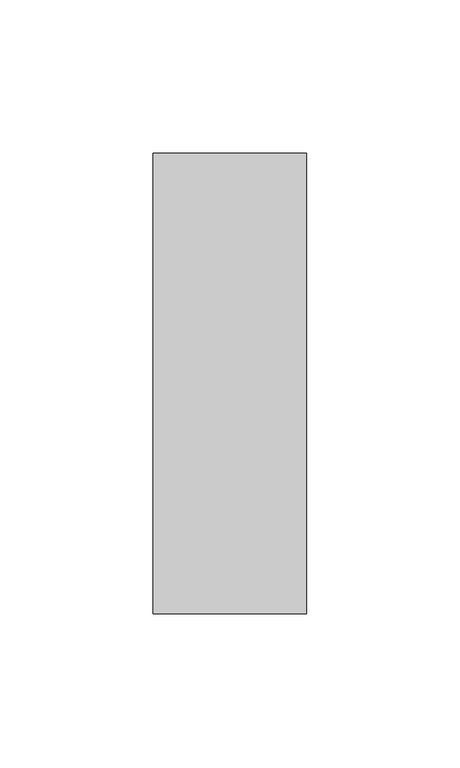
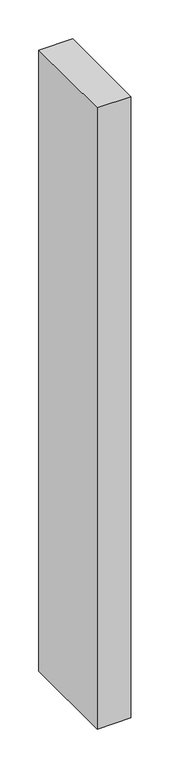
"""IFC4 building model written with IfcOpenShell, lengths in millimetres: member geometry."""

from ifc_helpers import new_model, si_unit, frame, origin, place, context, project, spatial, polyline, outline, extrude, source, transform, mapped, element, save


def member_bb797b61(model_context):
    return source(origin(), model_context, "Body", "SweptSolid", [
        extrude(outline(polyline([(25.0, 75.0), (25.0, -75.0), (-25.0, -75.0), (-25.0, 75.0), (25.0, 75.0)])), frame((0.0, 0.0, -975.0), z_axis=(0.0, 0.0, 1.0), x_axis=(1.0, 0.0, 0.0)), (0.0, 0.0, 1.0), 975.0),
    ])


if __name__ == "__main__":
    model = new_model("IFC4")
    model_context = context("Model", 3, world=origin())
    ifc_project = project(units=[si_unit("LENGTHUNIT", "METRE", prefix="MILLI")], contexts=[model_context])
    site = spatial("IfcSite", under=ifc_project)
    building = spatial("IfcBuilding", under=site)
    placement = place(None, origin())
    member_shape = member_bb797b61(model_context)
    element("IfcMember", 1, at=placement, inside=building, context=model_context, shape_type="MappedRepresentation", body=[
        mapped(member_shape, transform((0.0, 0.0, 0.0), x_axis=(1.0, 0.0, 0.0), y_axis=(0.0, 1.0, 0.0), z_axis=(0.0, 0.0, 1.0))),
    ])
    save(model, "model.ifc")
